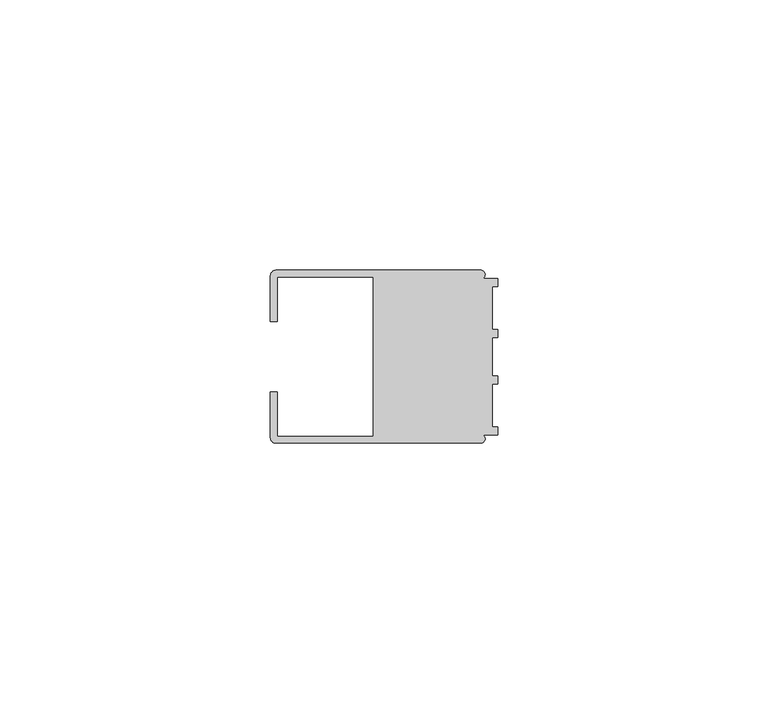
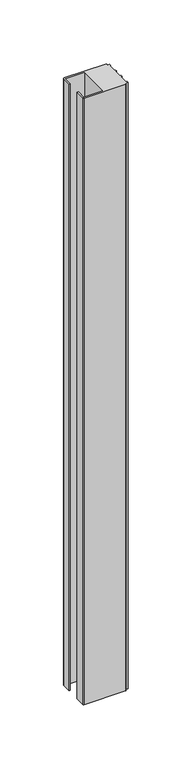
"""IFC4 building model written with IfcOpenShell, lengths in millimetres: member geometry."""

from ifc_helpers import new_model, si_unit, point, frame, frame_2d, origin, place, context, project, spatial, polyline, circle_curve, trimmed, segment, composite_curve, outline, extrude, source, transform, mapped, element, save


def member_8d2a3220(model_context):
    return source(origin(), model_context, "Body", "SweptSolid", [
        extrude(outline(composite_curve([segment(polyline([(-42.0, 6.5), (-42.0, 14.998921)]), True, "CONTINUOUS"), segment(trimmed(circle_curve(frame_2d((-40.998921, 14.998921)), 1.001079), [point((-42.0, 14.998921))], [point((-40.998921, 16.0))], False, "CARTESIAN"), True, "CONTINUOUS"), segment(polyline([(-40.998921, 16.0), (-3.1385263, 16.0)]), True, "CONTINUOUS"), segment(trimmed(circle_curve(frame_2d((-3.1117577, 15.2001372)), 0.8003107), [point((-3.1385263, 16.0))], [point((-2.7260256, 14.4989182))], False, "CARTESIAN"), True, "CONTINUOUS"), segment(polyline([(-2.7260256, 14.4989182), (0.0, 14.4989182), (0.0, 12.9993664), (-0.999267, 12.9993664), (-0.999267, 5.0000405), (0.0, 5.0000405), (0.0, 3.5386284), (-0.999267, 3.5009282), (-0.999267, -3.5009282), (0.0, -3.5398992), (0.0, -5.0013113), (-0.999267, -5.0013113), (-0.999267, -13.0002136), (0.0, -13.0002136), (0.0, -14.5004469), (-2.7237818, -14.5004469)]), True, "CONTINUOUS"), segment(trimmed(circle_curve(frame_2d((-3.1117213, -15.2000428)), 0.7999572), [point((-2.7237818, -14.5004469))], [point((-3.1117213, -16.0))], False, "CARTESIAN"), True, "CONTINUOUS"), segment(polyline([(-3.1117213, -16.0), (-40.9988146, -16.0)]), True, "CONTINUOUS"), segment(trimmed(circle_curve(frame_2d((-40.9988146, -14.9988146)), 1.0011854), [point((-40.9988146, -16.0))], [point((-42.0, -14.9988146))], False, "CARTESIAN"), True, "CONTINUOUS"), segment(polyline([(-42.0, -14.9988146), (-42.0, -6.5002542), (-40.7495396, -6.5002542), (-40.7495396, -14.7490791), (-23.0, -14.7490791), (-23.0, 14.748825), (-40.7495396, 14.748825), (-40.7495396, 6.5), (-42.0, 6.5)]), True, "CONTINUOUS")], self_intersect=False)), frame((0.0, 0.0, -586.4999997), z_axis=(0.0, 0.0, 1.0), x_axis=(1.0, 0.0, 0.0)), (0.0, 0.0, 1.0), 586.4999997),
    ])


if __name__ == "__main__":
    model = new_model("IFC4")
    model_context = context("Model", 3, world=origin())
    ifc_project = project(units=[si_unit("LENGTHUNIT", "METRE", prefix="MILLI")], contexts=[model_context])
    site = spatial("IfcSite", under=ifc_project)
    building = spatial("IfcBuilding", under=site)
    placement = place(None, origin())
    member_shape = member_8d2a3220(model_context)
    element("IfcMember", 1, at=placement, inside=building, context=model_context, shape_type="MappedRepresentation", body=[
        mapped(member_shape, transform((0.0, 0.0, 0.0), x_axis=(1.0, 0.0, 0.0), y_axis=(0.0, 1.0, 0.0), z_axis=(0.0, 0.0, 1.0))),
    ])
    save(model, "model.ifc")
